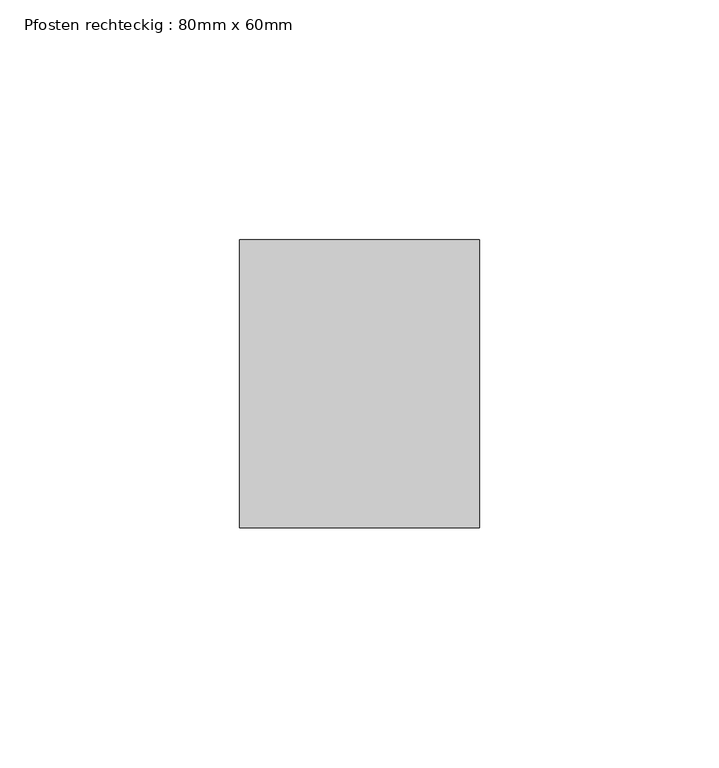
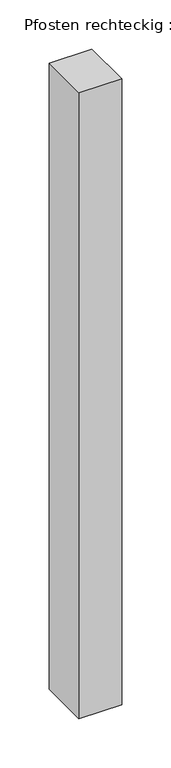
"""IFC4 building model written with IfcOpenShell, lengths in millimetres: member geometry, Pfosten rechteckig : 80mm x 60mm."""

from ifc_helpers import new_model, si_unit, frame, origin, place, context, project, spatial, polyline, outline, extrude, source, transform, mapped, element, save


def pfosten_rechteckig_80mm_x_60mm_70b788ef(model_context):
    return source(origin(), model_context, "Body", "SweptSolid", [
        extrude(outline(polyline([(25.0, 30.0), (25.0, -30.0), (-25.0, -30.0), (-25.0, 30.0), (25.0, 30.0)])), frame((0.0, 0.0, -775.0), z_axis=(0.0, 0.0, 1.0), x_axis=(1.0, 0.0, 0.0)), (0.0, 0.0, 1.0), 775.0),
    ])


if __name__ == "__main__":
    model = new_model("IFC4")
    model_context = context("Model", 3, world=origin())
    ifc_project = project(units=[si_unit("LENGTHUNIT", "METRE", prefix="MILLI")], contexts=[model_context])
    site = spatial("IfcSite", under=ifc_project)
    building = spatial("IfcBuilding", under=site)
    placement = place(None, origin())
    pfosten_rechteckig_80mm_x_60mm_shape = pfosten_rechteckig_80mm_x_60mm_70b788ef(model_context)
    element("IfcMember", 1, ObjectType="Pfosten rechteckig : 80mm x 60mm", at=placement, inside=building, context=model_context, shape_type="MappedRepresentation", body=[
        mapped(pfosten_rechteckig_80mm_x_60mm_shape, transform((0.0, 0.0, 0.0), x_axis=(1.0, 0.0, 0.0), y_axis=(0.0, 1.0, 0.0), z_axis=(0.0, 0.0, 1.0))),
    ])
    save(model, "model.ifc")
